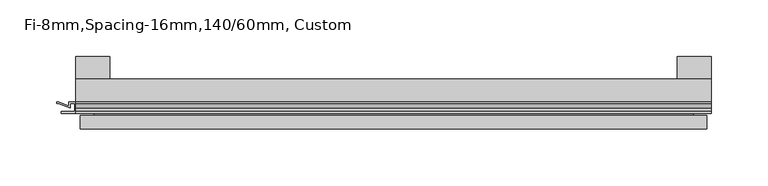
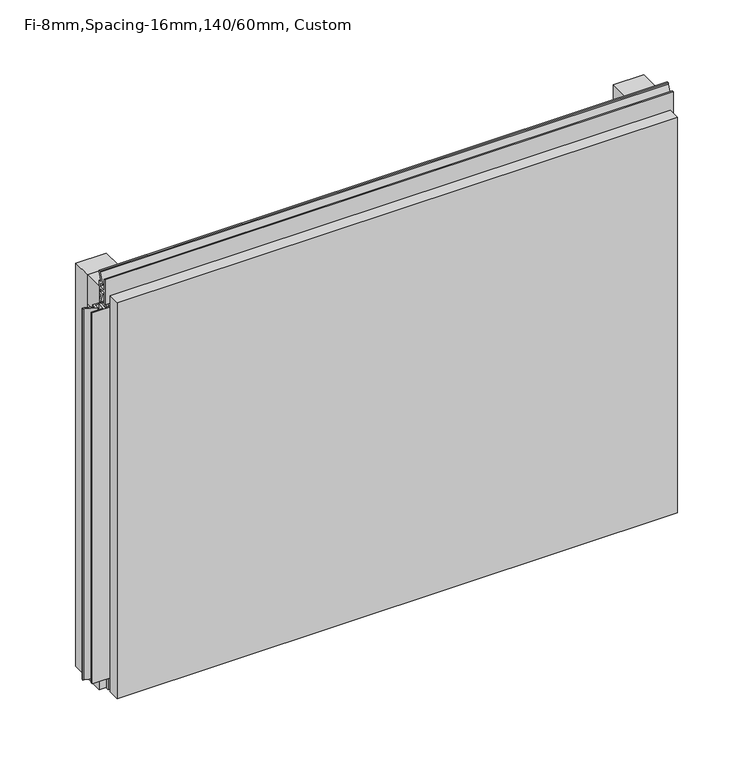
"""IFC4 building model written with IfcOpenShell, lengths in millimetres: plate geometry, Fi-8mm,Spacing-16mm,140/60mm, Custom."""

from ifc_helpers import new_model, si_unit, frame, origin, origin_with_axes, place, context, project, spatial, polyline, outline, extrude, faceted_brep, source, transform, mapped, element, save


def fi_8mm_spacing_16mm_140_60mm_custom_07fbe166(model_context):
    return source(origin(), model_context, "Body", "SolidModel", [
        extrude(outline(polyline([(-280.0, -40.0), (-280.0, -20.0), (280.0, -20.0), (280.0, -40.0), (-280.0, -40.0)])), frame((0.0, 0.0, 390.0), z_axis=(0.0, 0.0, 1.0), x_axis=(1.0, 0.0, 0.0)), (0.0, 0.0, 1.0), 30.0),
        extrude(outline(polyline([(-280.0, -40.0), (-280.0, -20.0), (280.0, -20.0), (280.0, -40.0), (-280.0, -40.0)])), origin_with_axes(), (0.0, 0.0, 1.0), 30.0),
        extrude(outline(polyline([(250.0, 0.0), (280.0, 0.0), (280.0, -20.0), (250.0, -20.0), (250.0, 0.0)])), origin_with_axes(), (0.0, 0.0, 1.0), 420.0),
        extrude(outline(polyline([(-250.0, 0.0), (-250.0, -20.0), (-280.0, -20.0), (-280.0, 0.0), (-250.0, 0.0)])), origin_with_axes(), (0.0, 0.0, 1.0), 420.0),
        extrude(outline(polyline([(273.700916, -40.0), (280.0, -40.0), (280.0, -50.1), (266.5843193, -50.1), (266.5843193, -48.7), (278.5843193, -48.7), (278.5843193, -41.4), (275.100916, -41.4), (275.100916, -45.5140545), (264.4296606, -41.4553267), (257.008452, -41.4553267), (257.008452, -40.0553267), (264.6441401, -40.0553267), (273.700916, -43.5), (273.700916, -40.0)])), frame((0.0, 0.0, 16.9558599), z_axis=(0.0, 0.0, 1.0), x_axis=(1.0, 0.0, 0.0)), (0.0, 0.0, 1.0), 386.0882802),
        extrude(outline(polyline([(-280.899084, -48.7), (-280.899084, -41.4), (-284.899084, -41.4), (-284.899084, -45.5140545), (-295.5703394, -41.4553267), (-296.9558599, -41.4553267), (-296.9558599, -40.0553267), (-295.3558599, -40.0553267), (-286.299084, -43.5), (-286.299084, -40.0), (-273.700916, -40.0), (-273.700916, -43.5), (-264.6441401, -40.0553267), (-263.0441401, -40.0553267), (-263.0441401, -41.4553267), (-264.4296606, -41.4553267), (-275.100916, -45.5140545), (-275.100916, -41.4), (-279.100916, -41.4), (-279.100916, -48.7), (-267.100916, -48.7), (-267.100916, -50.1), (-292.899084, -50.1), (-292.899084, -48.7), (-280.899084, -48.7)])), frame((0.0, 0.0, 16.9558599), z_axis=(0.0, 0.0, 1.0), x_axis=(1.0, 0.0, 0.0)), (0.0, 0.0, 1.0), 386.0882802),
        extrude(outline(polyline([(-48.7, 420.899084), (-41.4, 420.899084), (-41.4, 424.899084), (-45.5140545, 424.899084), (-41.4553267, 435.5703394), (-41.4553267, 436.9558599), (-40.0553267, 436.9558599), (-40.0553267, 435.3558599), (-43.5, 426.299084), (-40.0, 426.299084), (-40.0, 413.700916), (-43.5, 413.700916), (-40.0553267, 404.6441401), (-40.0553267, 403.0441401), (-41.4553267, 403.0441401), (-41.4553267, 404.4296606), (-45.5140545, 415.100916), (-41.4, 415.100916), (-41.4, 419.100916), (-48.7, 419.100916), (-48.7, 407.100916), (-50.1, 407.100916), (-50.1, 432.899084), (-48.7, 432.899084), (-48.7, 420.899084)])), frame((-280.0, 0.0, 0.0), z_axis=(1.0, 0.0, 0.0), x_axis=(0.0, 1.0, 0.0)), (0.0, 0.0, 1.0), 560.0),
        faceted_brep([(276.0, -45.9, 416.0), (-276.0, -45.9, 416.0), (-276.0, -48.7, 416.0), (276.0, -48.7, 416.0), (-276.0, -63.9, 416.0), (276.0, -63.9, 416.0), (276.0, -51.9, 416.0), (-276.0, -51.9, 416.0), (-276.0, -45.9, 4.0), (276.0, -45.9, 4.0), (276.0, -48.7, 4.0), (-276.0, -48.7, 4.0), (276.0, -63.9, 4.0), (-276.0, -63.9, 4.0), (-276.0, -51.9, 4.0), (276.0, -51.9, 4.0), (264.0, -51.9, 404.0), (264.0, -51.9, 16.0), (264.0, -48.7, 16.0), (264.0, -48.7, 404.0), (-264.0, -51.9, 16.0), (-264.0, -48.7, 16.0), (-264.0, -51.9, 404.0), (-264.0, -48.7, 404.0)], [[[0, 1, 2, 3]], [[4, 5, 6, 7]], [[8, 9, 10, 11]], [[12, 13, 14, 15]], [[1, 0, 9, 8]], [[1, 8, 11, 2]], [[13, 4, 7, 14]], [[5, 4, 13, 12]], [[9, 0, 3, 10]], [[5, 12, 15, 6]], [[16, 17, 18, 19]], [[18, 17, 20, 21]], [[21, 20, 22, 23]], [[16, 19, 23, 22]], [[7, 6, 15, 14], [17, 16, 22, 20]], [[3, 2, 11, 10], [19, 18, 21, 23]]]),
    ])


if __name__ == "__main__":
    model = new_model("IFC4")
    model_context = context("Model", 3, world=origin())
    ifc_project = project(units=[si_unit("LENGTHUNIT", "METRE", prefix="MILLI")], contexts=[model_context])
    site = spatial("IfcSite", under=ifc_project)
    building = spatial("IfcBuilding", under=site)
    placement = place(None, origin())
    fi_8mm_spacing_16mm_140_60mm_custom_shape = fi_8mm_spacing_16mm_140_60mm_custom_07fbe166(model_context)
    element("IfcPlate", 1, ObjectType="Fi-8mm,Spacing-16mm,140/60mm, Custom", at=placement, inside=building, context=model_context, shape_type="MappedRepresentation", body=[
        mapped(fi_8mm_spacing_16mm_140_60mm_custom_shape, transform((0.0, 0.0, 0.0), x_axis=(1.0, 0.0, 0.0), y_axis=(0.0, 1.0, 0.0), z_axis=(0.0, 0.0, 1.0))),
    ])
    save(model, "model.ifc")
